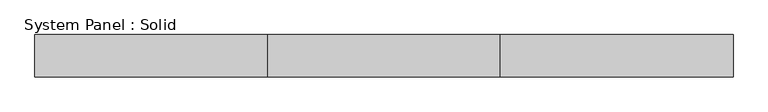
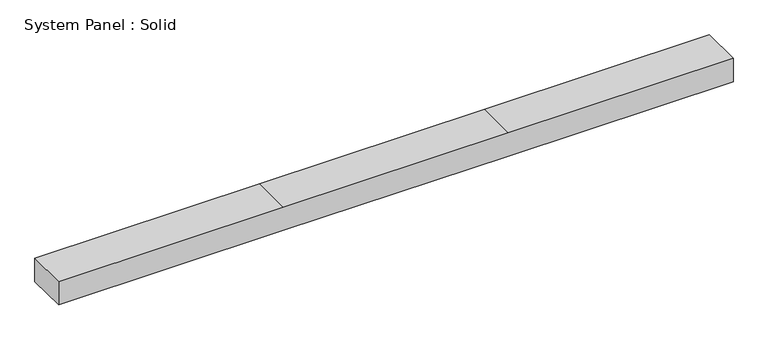
"""IFC4 building model written with IfcOpenShell, lengths in millimetres: plate geometry, System Panel : Solid."""

from ifc_helpers import new_model, si_unit, frame, origin, place, context, project, spatial, polyline, outline, extrude, source, transform, mapped, element, save


def system_panel_solid_1794c2cf(model_context):
    return source(origin(), model_context, "Body", "SweptSolid", [
        extrude(outline(polyline([(0.0, -825.0), (0.0, -275.0), (0.0, 275.0), (0.0, 825.0), (60.0, 825.0), (60.0, 275.0), (60.0, -275.0), (60.0, -825.0), (0.0, -825.0)])), frame((0.0, 50.0, 0.0), z_axis=(0.0, 1.0, 0.0), x_axis=(0.0, 0.0, 1.0)), (0.0, 0.0, 1.0), 100.0),
    ])


if __name__ == "__main__":
    model = new_model("IFC4")
    model_context = context("Model", 3, world=origin())
    ifc_project = project(units=[si_unit("LENGTHUNIT", "METRE", prefix="MILLI")], contexts=[model_context])
    site = spatial("IfcSite", under=ifc_project)
    building = spatial("IfcBuilding", under=site)
    placement = place(None, origin())
    system_panel_solid_shape = system_panel_solid_1794c2cf(model_context)
    element("IfcPlate", 1, ObjectType="System Panel : Solid", at=placement, inside=building, context=model_context, shape_type="MappedRepresentation", body=[
        mapped(system_panel_solid_shape, transform((0.0, 0.0, 0.0), x_axis=(1.0, 0.0, 0.0), y_axis=(0.0, 1.0, 0.0), z_axis=(0.0, 0.0, 1.0))),
    ])
    save(model, "model.ifc")
